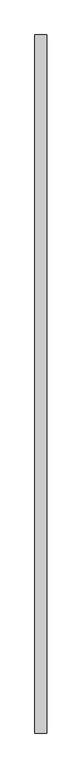
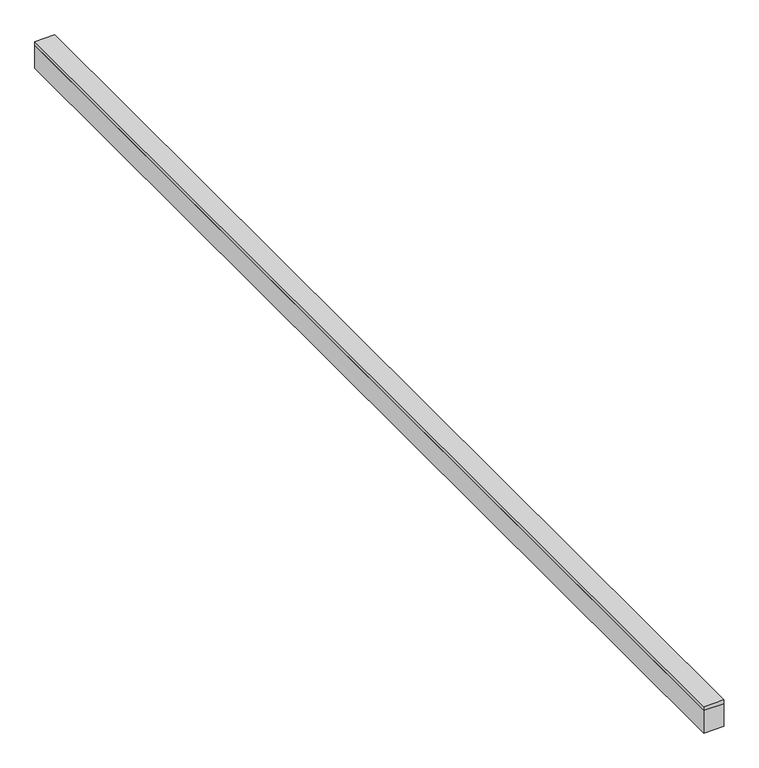
"""IFC4 building model written with IfcOpenShell, lengths in millimetres: proxy geometry."""

from ifc_helpers import new_model, si_unit, frame, origin, place, context, project, spatial, polyline, outline, extrude, source, transform, mapped, element, save


def specialty_equipment_2189c30d(model_context):
    return source(origin(), model_context, "Body", "SweptSolid", [
        extrude(outline(polyline([(25.0, 1445.0), (25.0, -1445.0), (-25.0, -1445.0), (-25.0, 1445.0), (25.0, 1445.0)])), frame((0.0, 0.0, -10.0), z_axis=(0.0, 0.0, 1.0), x_axis=(1.0, 0.0, 0.0)), (0.0, 0.0, 1.0), 10.0),
        extrude(outline(polyline([(25.0, 1445.0), (25.0, -1445.0), (-25.0, -1445.0), (-25.0, 1445.0), (25.0, 1445.0)])), frame((0.0, 0.0, -70.0), z_axis=(0.0, 0.0, 1.0), x_axis=(1.0, 0.0, 0.0)), (0.0, 0.0, 1.0), 60.0),
    ])


if __name__ == "__main__":
    model = new_model("IFC4")
    model_context = context("Model", 3, world=origin())
    ifc_project = project(units=[si_unit("LENGTHUNIT", "METRE", prefix="MILLI")], contexts=[model_context])
    site = spatial("IfcSite", under=ifc_project)
    building = spatial("IfcBuilding", under=site)
    placement = place(None, origin())
    specialty_equipment_shape = specialty_equipment_2189c30d(model_context)
    element("IfcBuildingElementProxy", 1, Name="Specialty Equipment", at=placement, inside=building, context=model_context, shape_type="MappedRepresentation", body=[
        mapped(specialty_equipment_shape, transform((0.0, 0.0, 0.0), x_axis=(1.0, 0.0, 0.0), y_axis=(0.0, 1.0, 0.0), z_axis=(0.0, 0.0, 1.0))),
    ])
    save(model, "model.ifc")
